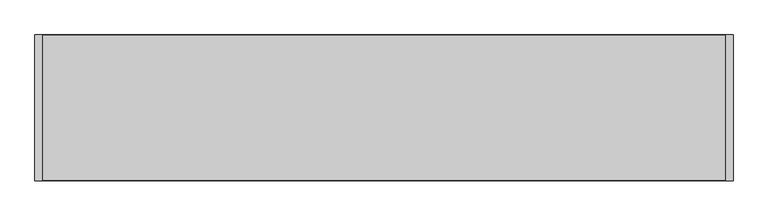
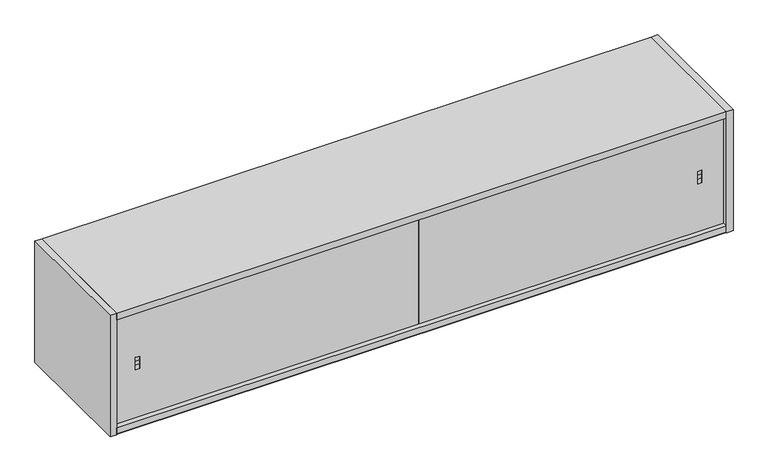
"""IFC4 building model written with IfcOpenShell, lengths in millimetres: furniture geometry."""

from ifc_helpers import new_model, si_unit, frame, origin, place, context, project, spatial, polyline, outline, extrude, faceted_brep, source, transform, mapped, element, save


def furniture_6993a2b9(model_context):
    return source(origin(), model_context, "Body", "SolidModel", [
        faceted_brep([(98.0439973, -363.9830881, 1532.9440122), (98.0439973, -363.9830881, 1520.1359822), (98.0439973, -366.0139961, 1507.4900063), (98.0439973, -366.0139961, 1545.5900063), (85.3440004, -363.9830881, 1532.9440122), (85.3440004, -366.0139961, 1545.5900063), (85.3440004, -366.0139961, 1507.4900063), (85.3440004, -363.9830881, 1520.1359822), (914.4, -356.4889961, 1359.2810114), (914.4, -356.4889961, 1693.7990012), (914.4, -366.0139961, 1693.7990012), (914.4, -366.0139961, 1359.2810114), (21.8439996, -356.4889961, 1359.2810114), (21.8439996, -366.0139961, 1359.2810114), (21.8439996, -366.0139961, 1693.7990012), (21.8439996, -356.4889961, 1693.7990012)], [[[0, 1, 2, 3]], [[4, 5, 6, 7]], [[0, 3, 5, 4]], [[2, 1, 7, 6]], [[1, 0, 4, 7]], [[8, 9, 10, 11]], [[12, 13, 14, 15]], [[9, 8, 12, 15]], [[10, 9, 15, 14]], [[11, 10, 14, 13], [3, 2, 6, 5]], [[8, 11, 13, 12]]]),
        faceted_brep([(1806.9560004, -356.4889961, 1693.7990012), (1806.9560004, -366.0139961, 1693.7990012), (1806.9560004, -366.0139961, 1359.2810114), (1806.9560004, -356.4889961, 1359.2810114), (914.4, -356.4889961, 1693.7990012), (914.4, -356.4889961, 1359.2810114), (914.4, -366.0139961, 1359.2810114), (914.4, -366.0139961, 1693.7990012), (1730.7560027, -366.0139961, 1507.4900063), (1730.7560027, -366.0139961, 1545.5900063), (1743.4559996, -366.0139961, 1545.5900063), (1743.4559996, -366.0139961, 1507.4900063), (1730.7560027, -363.9830881, 1532.9440122), (1730.7560027, -363.9830881, 1520.1359822), (1743.4559996, -363.9830881, 1532.9440122), (1743.4559996, -363.9830881, 1520.1359822)], [[[0, 1, 2, 3]], [[4, 5, 6, 7]], [[1, 0, 4, 7]], [[2, 1, 7, 6], [8, 9, 10, 11]], [[3, 2, 6, 5]], [[0, 3, 5, 4]], [[12, 9, 8, 13]], [[14, 15, 11, 10]], [[9, 12, 14, 10]], [[13, 8, 11, 15]], [[12, 13, 15, 14]]]),
        extrude(outline(polyline([(21.8439996, -381.0), (2.5400001, -381.0), (2.5400001, 0.0), (21.8439996, 0.0), (21.8439996, -381.0)])), frame((0.0, 0.0, 1338.4530002), z_axis=(0.0, 0.0, 1.0), x_axis=(1.0, 0.0, 0.0)), (0.0, 0.0, 1.0), 375.412),
        extrude(outline(polyline([(0.0, 1611.2489982), (-11.938, 1623.1869959), (-11.938, 1693.7990012), (0.0, 1693.7990012), (0.0, 1611.2489982)])), frame((21.8439996, 0.0, 0.0), z_axis=(1.0, 0.0, 0.0), x_axis=(0.0, 1.0, 0.0)), (0.0, 0.0, 1.0), 1785.1120008),
        extrude(outline(polyline([(924.0520271, -346.0749879), (904.7479729, -346.0749879), (904.7479729, -31.2419997), (924.0520271, -31.2419997), (924.0520271, -346.0749879)])), frame((0.0, 0.0, 1358.5190002), z_axis=(0.0, 0.0, 1.0), x_axis=(1.0, 0.0, 0.0)), (0.0, 0.0, 1.0), 335.280001),
        extrude(outline(polyline([(1806.9560004, -380.2379826), (21.8439996, -380.2379826), (21.8439996, -0.762), (1806.9560004, -0.762), (1806.9560004, -380.2379826)])), frame((0.0, 0.0, 1339.9769934), z_axis=(0.0, 0.0, 1.0), x_axis=(1.0, 0.0, 0.0)), (0.0, 0.0, 1.0), 19.3040179),
        extrude(outline(polyline([(1806.9560004, -11.938), (1806.9560004, -31.2419997), (21.8439996, -31.2419997), (21.8439996, -11.938), (1806.9560004, -11.938)])), frame((0.0, 0.0, 1358.5190002), z_axis=(0.0, 0.0, 1.0), x_axis=(1.0, 0.0, 0.0)), (0.0, 0.0, 1.0), 335.280001),
        extrude(outline(polyline([(1806.9560004, -380.2379826), (21.8439996, -380.2379826), (21.8439996, -31.2419997), (1806.9560004, -31.2419997), (1806.9560004, -380.2379826)])), frame((0.0, 0.0, 1339.2150002), z_axis=(0.0, 0.0, 1.0), x_axis=(1.0, 0.0, 0.0)), (0.0, 0.0, 1.0), 19.304),
        extrude(outline(polyline([(1826.2600024, -381.0), (1806.9560004, -381.0), (1806.9560004, 0.0), (1826.2600024, 0.0), (1826.2600024, -381.0)])), frame((0.0, 0.0, 1338.4530002), z_axis=(0.0, 0.0, 1.0), x_axis=(1.0, 0.0, 0.0)), (0.0, 0.0, 1.0), 375.412),
        extrude(outline(polyline([(1806.9560004, -380.2379826), (21.8439996, -380.2379826), (21.8439996, -0.762), (1806.9560004, -0.762), (1806.9560004, -380.2379826)])), frame((0.0, 0.0, 1693.7990012), z_axis=(0.0, 0.0, 1.0), x_axis=(1.0, 0.0, 0.0)), (0.0, 0.0, 1.0), 19.303999),
    ])


if __name__ == "__main__":
    model = new_model("IFC4")
    model_context = context("Model", 3, world=origin())
    ifc_project = project(units=[si_unit("LENGTHUNIT", "METRE", prefix="MILLI")], contexts=[model_context])
    site = spatial("IfcSite", under=ifc_project)
    building = spatial("IfcBuilding", under=site)
    placement = place(None, origin())
    furniture_shape = furniture_6993a2b9(model_context)
    element("IfcFurniture", 1, at=placement, inside=building, context=model_context, shape_type="MappedRepresentation", body=[
        mapped(furniture_shape, transform((0.0, 0.0, 0.0), x_axis=(1.0, 0.0, 0.0), y_axis=(0.0, 1.0, 0.0), z_axis=(0.0, 0.0, 1.0))),
    ])
    save(model, "model.ifc")
